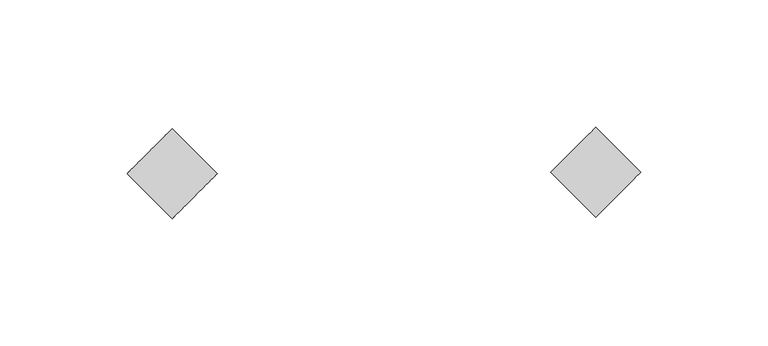
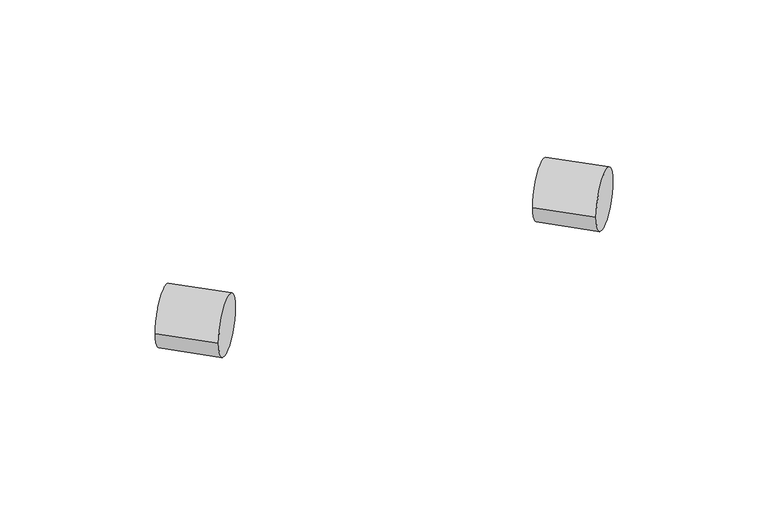
"""IFC4 building model written with IfcOpenShell, lengths in millimetres: proxy geometry."""

from ifc_helpers import new_model, si_unit, point, frame, frame_2d, origin, place, context, project, spatial, circle_curve, trimmed, segment, composite_curve, outline, extrude, source, transform, mapped, element, save


def generic_models_0196d89b(model_context):
    return source(origin(), model_context, "Body", "SweptSolid", [
        extrude(outline(composite_curve([segment(trimmed(circle_curve(frame_2d((0.0, -12.4607201)), 12.4607202), [point((0.0, -24.9214404))], [point((0.0, 0.0))], False, "CARTESIAN"), True, "CONTINUOUS"), segment(trimmed(circle_curve(frame_2d((0.0, -12.4607201)), 12.4607202), [point((0.0, 0.0))], [point((0.0, -24.9214404))], False, "CARTESIAN"), True, "CONTINUOUS")], self_intersect=False)), frame((-1334.4280752, 7449.3479734, 2645.9410188), z_axis=(-0.7071067811865432, 0.7071067811865519, 0.0), x_axis=(0.0, 0.0, 1.0)), (0.0, 0.0, 1.0), 25.0),
        extrude(outline(composite_curve([segment(trimmed(circle_curve(frame_2d((0.0, -12.4944576)), 12.4944576), [point((0.0, -24.9889154))], [point((0.0, 0.0))], False, "CARTESIAN"), True, "CONTINUOUS"), segment(trimmed(circle_curve(frame_2d((0.0, -12.4944576)), 12.4944576), [point((0.0, 0.0))], [point((0.0, -24.9889154))], False, "CARTESIAN"), True, "CONTINUOUS")], self_intersect=False)), frame((-1167.8799138, 7449.9749737, 2645.9410188), z_axis=(-0.7071067811865432, 0.7071067811865519, 0.0), x_axis=(0.0, 0.0, 1.0)), (0.0, 0.0, 1.0), 25.0),
    ])


if __name__ == "__main__":
    model = new_model("IFC4")
    model_context = context("Model", 3, world=origin())
    ifc_project = project(units=[si_unit("LENGTHUNIT", "METRE", prefix="MILLI")], contexts=[model_context])
    site = spatial("IfcSite", under=ifc_project)
    building = spatial("IfcBuilding", under=site)
    placement = place(None, origin())
    generic_models_shape = generic_models_0196d89b(model_context)
    element("IfcBuildingElementProxy", 1, Name="Generic Models", at=placement, inside=building, context=model_context, shape_type="MappedRepresentation", body=[
        mapped(generic_models_shape, transform((0.0, 0.0, 0.0), x_axis=(1.0, 0.0, 0.0), y_axis=(0.0, 1.0, 0.0), z_axis=(0.0, 0.0, 1.0))),
    ])
    save(model, "model.ifc")
